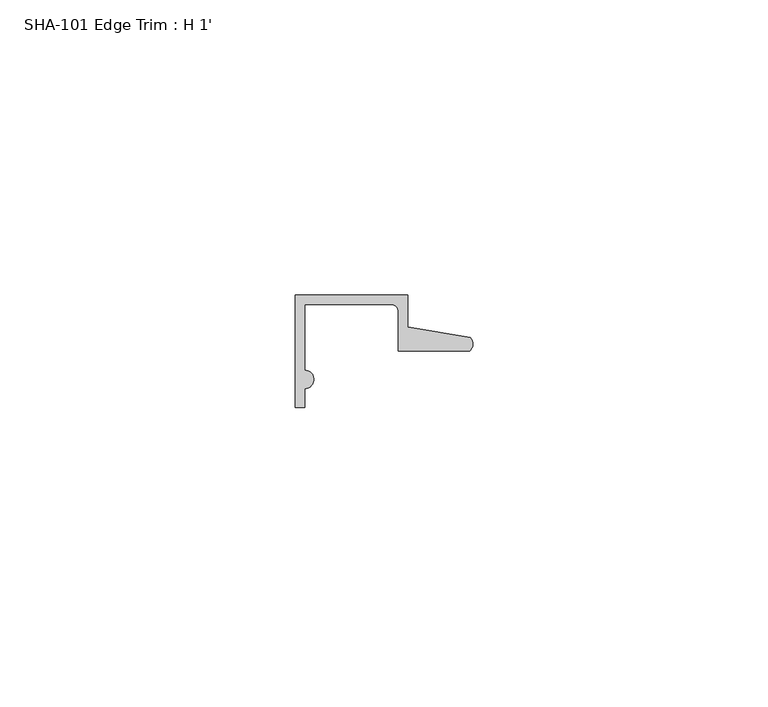
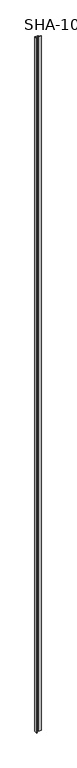
"""IFC4 building model written with IfcOpenShell, lengths in millimetres: proxy geometry, SHA-101 Edge Trim : H 1'."""

from ifc_helpers import new_model, si_unit, point, frame_2d, origin, origin_with_axes, place, context, project, spatial, polyline, circle_curve, trimmed, segment, composite_curve, outline, extrude, source, transform, mapped, element, save


def sha_101_edge_trim_h_1_321c5217(model_context):
    return source(origin(), model_context, "Body", "SweptSolid", [
        extrude(outline(composite_curve([segment(trimmed(circle_curve(frame_2d((1.5748, -14.2875)), 1.5748), [point((1.5748, -12.7127))], [point((1.5748, -15.8623))], False, "CARTESIAN"), True, "CONTINUOUS"), segment(polyline([(1.5748, -15.8623), (1.5748, -19.05), (0.0, -19.05), (0.0, 0.0), (19.0246, 0.0), (19.0246, -5.392657), (29.6006869, -7.2036308)]), True, "CONTINUOUS"), segment(trimmed(circle_curve(frame_2d((28.4438454, -8.3323235)), 1.6162393), [point((29.6006869, -7.2036308))], [point((29.5346031, -9.525))], False, "CARTESIAN"), True, "CONTINUOUS"), segment(polyline([(29.5346031, -9.525), (17.4498, -9.525), (17.4498, -2.8448)]), True, "CONTINUOUS"), segment(trimmed(circle_curve(frame_2d((16.1798, -2.8448)), 1.27), [point((17.4498, -2.8448))], [point((16.1798, -1.5748))], True, "CARTESIAN"), True, "CONTINUOUS"), segment(polyline([(16.1798, -1.5748), (1.5748, -1.5748), (1.5748, -12.7127)]), True, "CONTINUOUS")], self_intersect=False)), origin_with_axes(), (0.0, 0.0, 1.0), 4210.05),
    ])


if __name__ == "__main__":
    model = new_model("IFC4")
    model_context = context("Model", 3, world=origin())
    ifc_project = project(units=[si_unit("LENGTHUNIT", "METRE", prefix="MILLI")], contexts=[model_context])
    site = spatial("IfcSite", under=ifc_project)
    building = spatial("IfcBuilding", under=site)
    placement = place(None, origin())
    sha_101_edge_trim_h_1_shape = sha_101_edge_trim_h_1_321c5217(model_context)
    element("IfcBuildingElementProxy", 1, Name="SHA-101 Edge Trim : H 1'", ObjectType="SHA-101 Edge Trim : H 1'", at=placement, inside=building, context=model_context, shape_type="MappedRepresentation", body=[
        mapped(sha_101_edge_trim_h_1_shape, transform((0.0, 0.0, 0.0), x_axis=(1.0, 0.0, 0.0), y_axis=(0.0, 1.0, 0.0), z_axis=(0.0, 0.0, 1.0))),
    ])
    save(model, "model.ifc")
